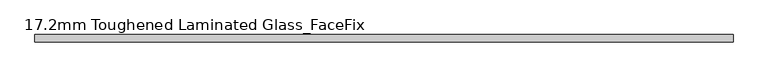
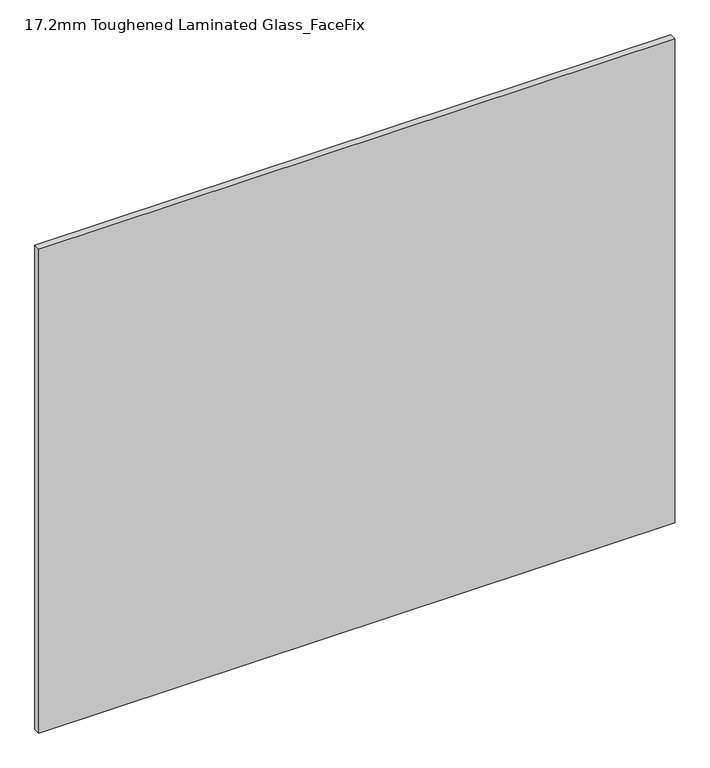
"""IFC4 building model written with IfcOpenShell, lengths in millimetres: plate geometry, 17.2mm Toughened Laminated Glass_FaceFix."""

from ifc_helpers import new_model, si_unit, origin, origin_with_axes, place, context, project, spatial, polyline, outline, extrude, source, transform, mapped, element, save


def plate_17_2mm_toughened_laminated_glass_facefix_caf7bc9c(model_context):
    return source(origin(), model_context, "Body", "SweptSolid", [
        extrude(outline(polyline([(795.0000001, -23.4), (795.0000001, -40.6), (-795.0000001, -40.6), (-795.0000001, -23.4), (795.0000001, -23.4)])), origin_with_axes(), (0.0, 0.0, 1.0), 1279.0),
    ])


if __name__ == "__main__":
    model = new_model("IFC4")
    model_context = context("Model", 3, world=origin())
    ifc_project = project(units=[si_unit("LENGTHUNIT", "METRE", prefix="MILLI")], contexts=[model_context])
    site = spatial("IfcSite", under=ifc_project)
    building = spatial("IfcBuilding", under=site)
    placement = place(None, origin())
    plate_17_2mm_toughened_laminated_glass_facefix_shape = plate_17_2mm_toughened_laminated_glass_facefix_caf7bc9c(model_context)
    element("IfcPlate", 1, ObjectType="17.2mm Toughened Laminated Glass_FaceFix", at=placement, inside=building, context=model_context, shape_type="MappedRepresentation", body=[
        mapped(plate_17_2mm_toughened_laminated_glass_facefix_shape, transform((0.0, 0.0, 0.0), x_axis=(1.0, 0.0, 0.0), y_axis=(0.0, 1.0, 0.0), z_axis=(0.0, 0.0, 1.0))),
    ])
    save(model, "model.ifc")
